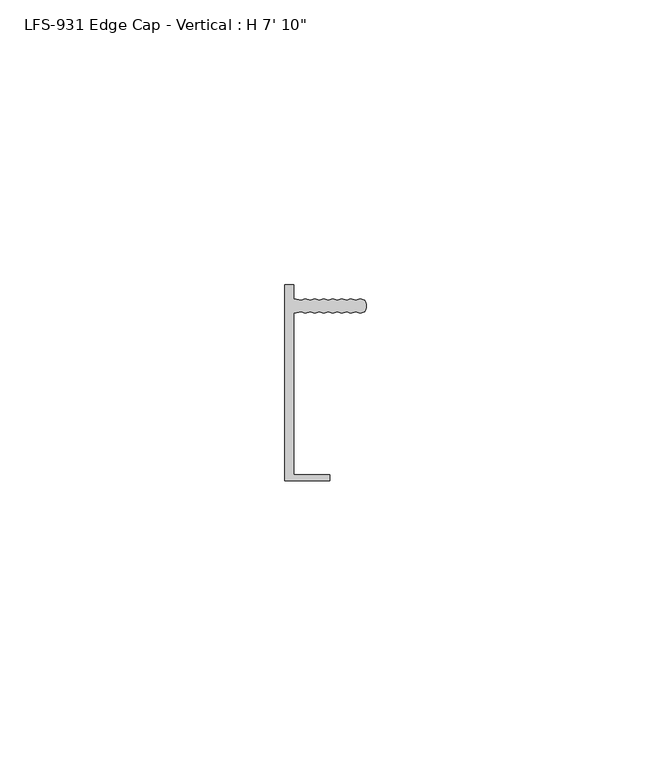
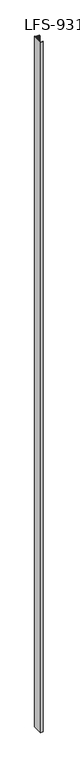
"""IFC4 building model written with IfcOpenShell, lengths in millimetres: proxy geometry."""

from ifc_helpers import new_model, si_unit, point, frame_2d, origin, origin_with_axes, place, context, project, spatial, polyline, circle_curve, trimmed, segment, composite_curve, outline, extrude, source, transform, mapped, element, save


def proxy_99c85a97(model_context):
    return source(origin(), model_context, "Body", "SweptSolid", [
        extrude(outline(composite_curve([segment(trimmed(circle_curve(frame_2d((5.0970263, 13.489432)), 2.1356527), [point((6.9755505, 14.5053844))], [point((6.975499, 12.4733844))], False, "CARTESIAN"), True, "CONTINUOUS"), segment(polyline([(6.975499, 12.4733844), (6.1594091, 12.2194051), (5.3776839, 12.4734249), (4.5615939, 12.2194456), (3.7798687, 12.4734654), (2.9637788, 12.2194861), (2.1820536, 12.4735059), (1.3659636, 12.2195266), (0.5842384, 12.4735464), (-0.2318515, 12.219567), (-1.0135767, 12.4735869), (-1.8296667, 12.2196075), (-2.6113918, 12.4736273), (-3.4274818, 12.219648), (-4.209207, 12.4736678), (-5.4705074, 12.2196998), (-5.4712256, -16.1278963), (0.8787744, -16.1280572), (0.8787469, -17.2126372), (-7.0587531, -17.2124361), (-7.057881, 17.2096439), (-5.470381, 17.2096037), (-5.470443, 14.7596998), (-4.2091555, 14.5056678), (-3.4274175, 14.759648), (-2.6113404, 14.5056273), (-1.8296023, 14.7596075), (-1.0135252, 14.5055869), (-0.2317872, 14.759567), (0.5842899, 14.5055464), (1.366028, 14.7595266), (2.1821051, 14.5055059), (2.9638431, 14.7594861), (3.7799202, 14.5054654), (4.5616583, 14.7594456), (5.3777354, 14.5054249), (6.1594734, 14.7594051), (6.9755505, 14.5053844)]), True, "CONTINUOUS")], self_intersect=False)), origin_with_axes(), (0.0, 0.0, 1.0), 2387.6),
    ])


if __name__ == "__main__":
    model = new_model("IFC4")
    model_context = context("Model", 3, world=origin())
    ifc_project = project(units=[si_unit("LENGTHUNIT", "METRE", prefix="MILLI")], contexts=[model_context])
    site = spatial("IfcSite", under=ifc_project)
    building = spatial("IfcBuilding", under=site)
    placement = place(None, origin())
    proxy_shape = proxy_99c85a97(model_context)
    element("IfcBuildingElementProxy", 1, Name="LFS-931 Edge Cap - Vertical : H 7' 10\"", ObjectType="LFS-931 Edge Cap - Vertical : H 7' 10\"", at=placement, inside=building, context=model_context, shape_type="MappedRepresentation", body=[
        mapped(proxy_shape, transform((0.0, 0.0, 0.0), x_axis=(1.0, 0.0, 0.0), y_axis=(0.0, 1.0, 0.0), z_axis=(0.0, 0.0, 1.0))),
    ])
    save(model, "model.ifc")
